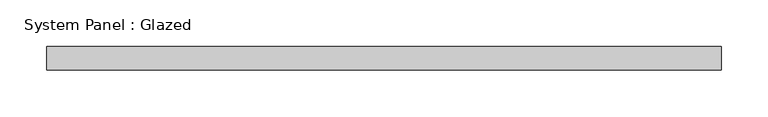
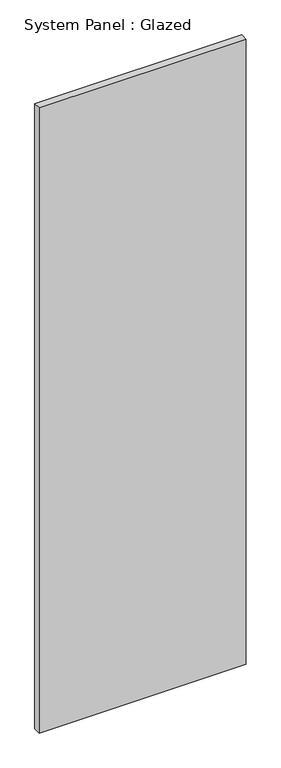
"""IFC4 building model written with IfcOpenShell, lengths in millimetres: plate geometry, System Panel : Glazed."""

from ifc_helpers import new_model, si_unit, origin, origin_with_axes, place, context, project, spatial, polyline, outline, extrude, source, transform, mapped, element, save


def system_panel_glazed_da194641(model_context):
    return source(origin(), model_context, "Body", "SweptSolid", [
        extrude(outline(polyline([(360.5, 24.5), (-360.5, 24.5), (-360.5, 49.5), (360.5, 49.5), (360.5, 24.5)])), origin_with_axes(), (0.0, 0.0, 1.0), 2300.0),
    ])


if __name__ == "__main__":
    model = new_model("IFC4")
    model_context = context("Model", 3, world=origin())
    ifc_project = project(units=[si_unit("LENGTHUNIT", "METRE", prefix="MILLI")], contexts=[model_context])
    site = spatial("IfcSite", under=ifc_project)
    building = spatial("IfcBuilding", under=site)
    placement = place(None, origin())
    system_panel_glazed_shape = system_panel_glazed_da194641(model_context)
    element("IfcPlate", 1, ObjectType="System Panel : Glazed", at=placement, inside=building, context=model_context, shape_type="MappedRepresentation", body=[
        mapped(system_panel_glazed_shape, transform((0.0, 0.0, 0.0), x_axis=(1.0, 0.0, 0.0), y_axis=(0.0, 1.0, 0.0), z_axis=(0.0, 0.0, 1.0))),
    ])
    save(model, "model.ifc")
